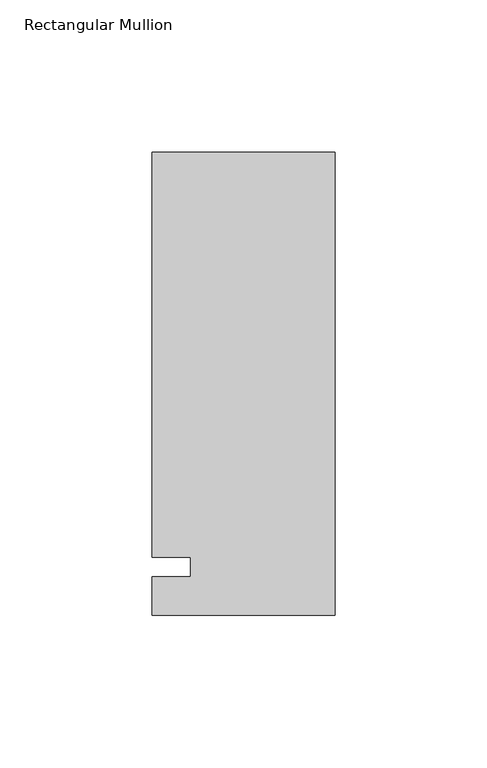
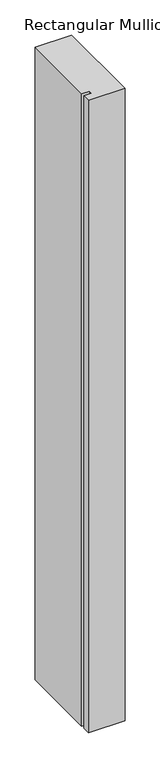
"""IFC4 building model written with IfcOpenShell, lengths in millimetres: member geometry, Rectangular Mullion."""

from ifc_helpers import new_model, si_unit, frame, origin, place, context, project, spatial, polyline, outline, extrude, source, transform, mapped, element, save


def rectangular_mullion_a7573299(model_context):
    return source(origin(), model_context, "Body", "SweptSolid", [
        extrude(outline(polyline([(-60.325, 136.525), (0.0, 136.525), (0.0, -15.875), (-60.325, -15.875), (-60.325, -3.175), (-47.625, -3.175), (-47.625, 3.175), (-60.325, 3.175), (-60.325, 136.525)])), frame((0.0, 0.0, -1099.7094027), z_axis=(0.0, 0.0, 1.0), x_axis=(1.0, 0.0, 0.0)), (0.0, 0.0, 1.0), 1099.7094027),
    ])


if __name__ == "__main__":
    model = new_model("IFC4")
    model_context = context("Model", 3, world=origin())
    ifc_project = project(units=[si_unit("LENGTHUNIT", "METRE", prefix="MILLI")], contexts=[model_context])
    site = spatial("IfcSite", under=ifc_project)
    building = spatial("IfcBuilding", under=site)
    placement = place(None, origin())
    rectangular_mullion_shape = rectangular_mullion_a7573299(model_context)
    element("IfcMember", 1, ObjectType="Rectangular Mullion", at=placement, inside=building, context=model_context, shape_type="MappedRepresentation", body=[
        mapped(rectangular_mullion_shape, transform((0.0, 0.0, 0.0), x_axis=(1.0, 0.0, 0.0), y_axis=(0.0, 1.0, 0.0), z_axis=(0.0, 0.0, 1.0))),
    ])
    save(model, "model.ifc")
